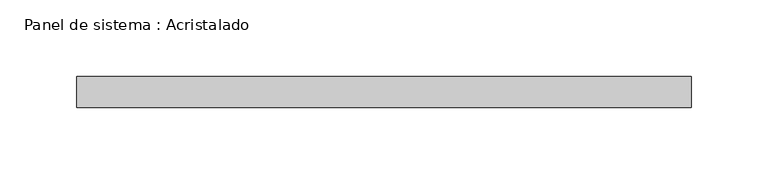
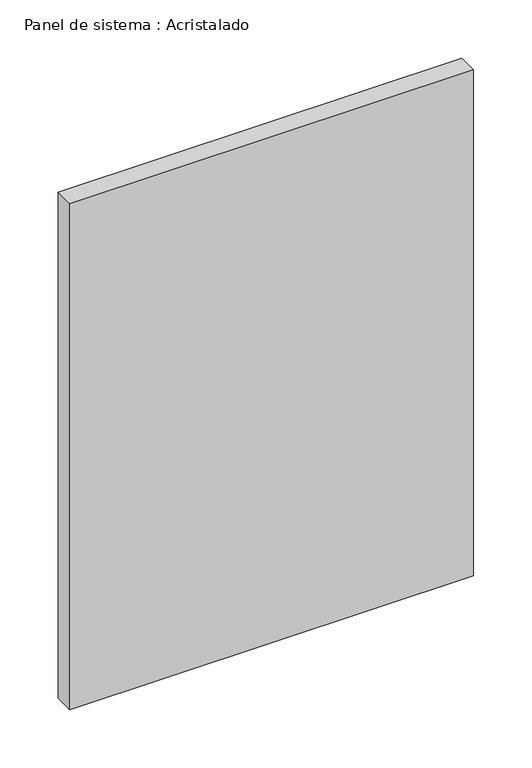
"""IFC4 building model written with IfcOpenShell, lengths in millimetres: plate geometry, Panel de sistema : Acristalado."""

from ifc_helpers import new_model, si_unit, origin, origin_with_axes, place, context, project, spatial, polyline, outline, extrude, source, transform, mapped, element, save


def panel_de_sistema_acristalado_c42e3fa0(model_context):
    return source(origin(), model_context, "Body", "SweptSolid", [
        extrude(outline(polyline([(200.0, -10.0), (-200.0, -10.0), (-200.0, 10.0), (200.0, 10.0), (200.0, -10.0)])), origin_with_axes(), (0.0, 0.0, 1.0), 530.0),
    ])


if __name__ == "__main__":
    model = new_model("IFC4")
    model_context = context("Model", 3, world=origin())
    ifc_project = project(units=[si_unit("LENGTHUNIT", "METRE", prefix="MILLI")], contexts=[model_context])
    site = spatial("IfcSite", under=ifc_project)
    building = spatial("IfcBuilding", under=site)
    placement = place(None, origin())
    panel_de_sistema_acristalado_shape = panel_de_sistema_acristalado_c42e3fa0(model_context)
    element("IfcPlate", 1, ObjectType="Panel de sistema : Acristalado", at=placement, inside=building, context=model_context, shape_type="MappedRepresentation", body=[
        mapped(panel_de_sistema_acristalado_shape, transform((0.0, 0.0, 0.0), x_axis=(1.0, 0.0, 0.0), y_axis=(0.0, 1.0, 0.0), z_axis=(0.0, 0.0, 1.0))),
    ])
    save(model, "model.ifc")
